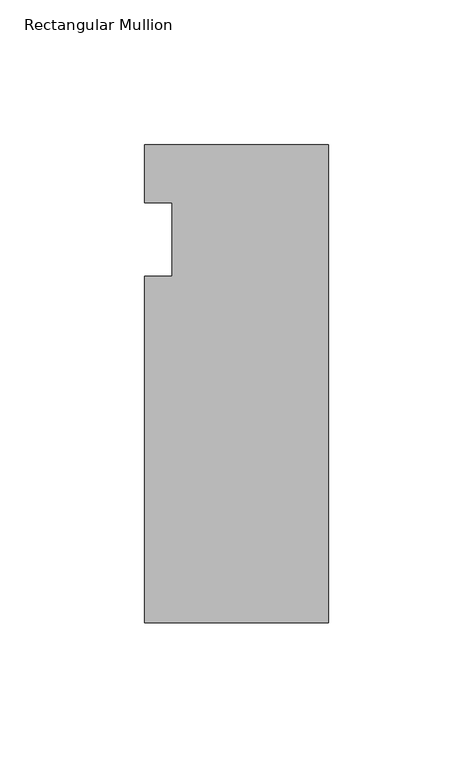
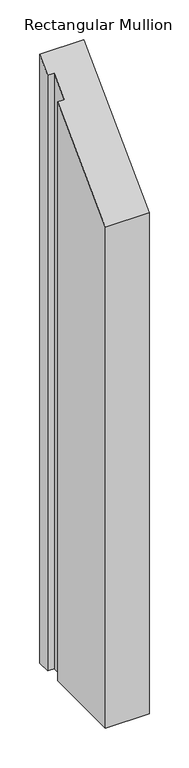
"""IFC4 building model written with IfcOpenShell, lengths in millimetres: member geometry, Rectangular Mullion."""

from ifc_helpers import new_model, si_unit, origin, place, context, project, spatial, faceted_brep, source, transform, mapped, element, save


def rectangular_mullion_6b1a5c64(model_context):
    return source(origin(), model_context, "Body", "Brep", [
        faceted_brep([(-63.5, 20.0421875, -914.4), (0.0, 20.0421875, -914.4), (0.0, -145.0578125, -914.4), (-63.5, -145.0578125, -914.4), (-63.5, -25.4, -914.4), (-53.975, -25.4, -914.4), (-53.975, 0.0, -914.4), (-63.5, 0.0, -914.4), (-63.5, 0.0, 0.0), (-63.5, 20.0421875, 20.0421875), (-53.975, 0.0, 0.0), (-53.975, -25.4, -25.4), (-63.5, -25.4, -25.4), (-63.5, -145.0578125, -145.0578125), (0.0, -145.0578125, -145.0578125), (0.0, 20.0421875, 20.0421875)], [[[0, 1, 2, 3, 4, 5, 6, 7]], [[8, 9, 0, 7]], [[10, 8, 7, 6]], [[11, 10, 6, 5]], [[12, 11, 5, 4]], [[13, 12, 4, 3]], [[14, 13, 3, 2]], [[15, 14, 2, 1]], [[9, 15, 1, 0]], [[9, 8, 10, 11, 12, 13, 14, 15]]]),
    ])


if __name__ == "__main__":
    model = new_model("IFC4")
    model_context = context("Model", 3, world=origin())
    ifc_project = project(units=[si_unit("LENGTHUNIT", "METRE", prefix="MILLI")], contexts=[model_context])
    site = spatial("IfcSite", under=ifc_project)
    building = spatial("IfcBuilding", under=site)
    placement = place(None, origin())
    rectangular_mullion_shape = rectangular_mullion_6b1a5c64(model_context)
    element("IfcMember", 1, ObjectType="Rectangular Mullion", at=placement, inside=building, context=model_context, shape_type="MappedRepresentation", body=[
        mapped(rectangular_mullion_shape, transform((0.0, 0.0, 0.0), x_axis=(1.0, 0.0, 0.0), y_axis=(0.0, 1.0, 0.0), z_axis=(0.0, 0.0, 1.0))),
    ])
    save(model, "model.ifc")
